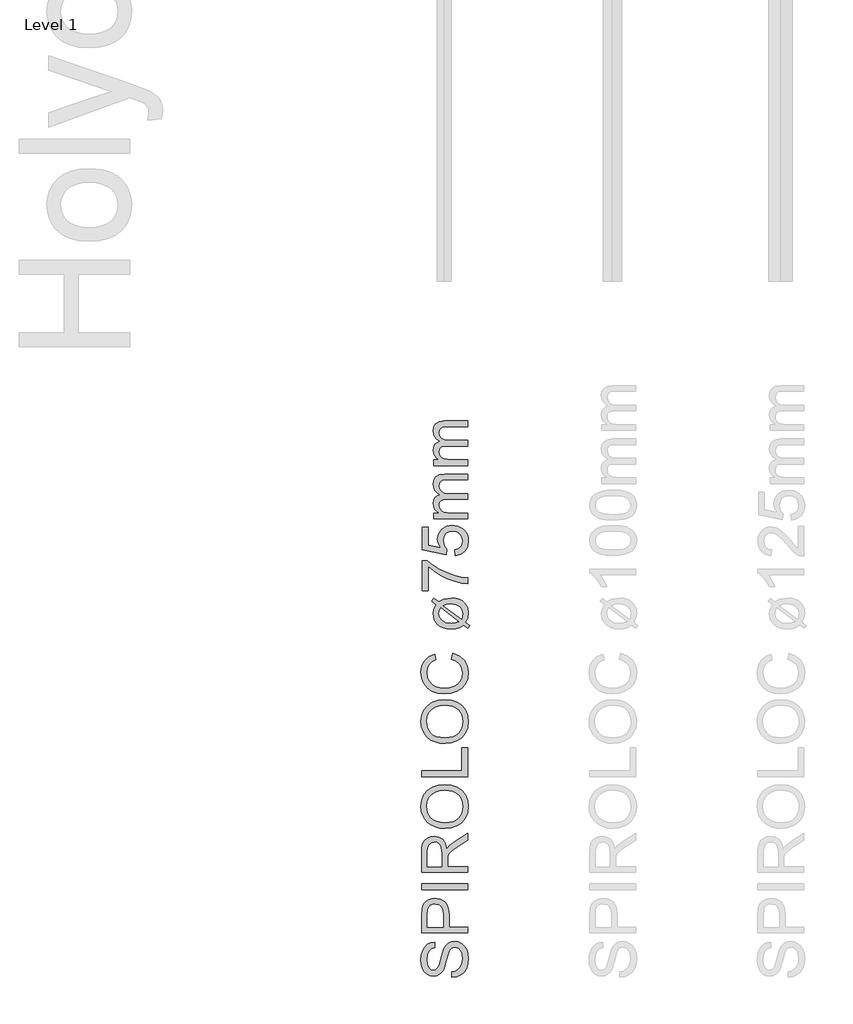
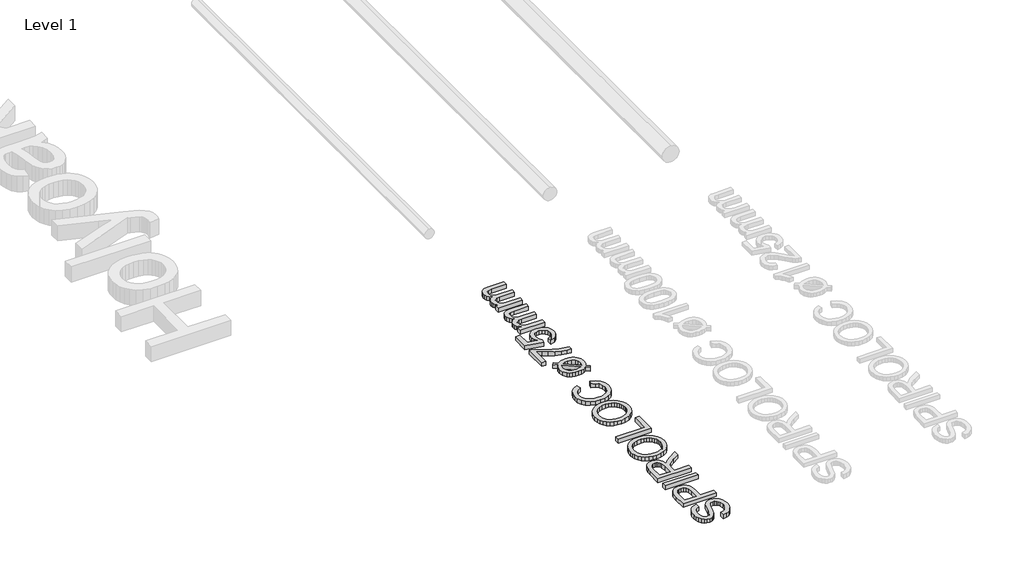
# One storey, part 2 of 19: 1 proxy.
"""IFC4 building model written with IfcOpenShell, lengths in millimetres."""

from ifc_helpers import new_model, si_unit, origin, origin_with_axes, place, context, project, spatial, polyline, outline, extrude, element, save

model = new_model("IFC4")

# Units and contexts
model_context = context("Model", 3, world=origin())
ifc_project = project(units=[si_unit("LENGTHUNIT", "METRE", prefix="MILLI")], contexts=[model_context])

# Site, building, storey
site = spatial("IfcSite", under=ifc_project)
building = spatial("IfcBuilding", under=site)
storey = spatial("IfcBuildingStorey", under=building, Name="Level 1", Elevation=0.0)

# Proxy
placement = place(None, origin())
element("IfcBuildingElementProxy", 1, Name="250mm", ObjectType="250mm", at=placement, inside=storey, context=model_context, shape_type="SweptSolid", body=[
    extrude(outline(polyline([(625.8043383, -1501.7841772), (625.8043383, -1471.0149464), (642.8791581, -1467.4842974), (656.6036172, -1461.099081), (667.4960451, -1451.1381435), (676.074771, -1436.880331), (681.6411773, -1419.4524464), (683.496646, -1399.9812926), (677.8776557, -1367.8298502), (671.2069826, -1355.6678911), (662.4329441, -1347.0666291), (652.3593263, -1341.950944), (641.7899153, -1340.2457156), (622.5891941, -1345.3538887), (614.9945427, -1353.1363406), (608.6168383, -1366.2673502), (596.8680403, -1411.0690329), (581.6937614, -1459.2961964), (571.3421989, -1474.6132036), (558.7971268, -1485.4680714), (544.3289778, -1491.93592), (528.2081845, -1494.0918695), (510.1868504, -1491.4251026), (493.3824633, -1483.4248022), (479.1396749, -1470.3013046), (468.8031364, -1452.2649464), (462.5155763, -1430.615307), (460.419723, -1406.6519656), (462.6132326, -1380.6904272), (469.1937614, -1357.974081), (480.0260932, -1339.3142252), (494.9750114, -1325.5221579), (513.1090258, -1316.7931916), (533.496646, -1313.3226387), (533.496646, -1344.0918695), (515.137271, -1349.7409079), (501.8860691, -1361.5197541), (493.8632326, -1379.9242012), (491.1889537, -1405.4500426), (493.8331845, -1431.5768454), (501.7658768, -1449.5005233), (513.4395547, -1459.8671099), (527.3067422, -1463.3226387), (539.1306605, -1460.8737204), (548.6408768, -1453.5269656), (557.1444826, -1436.1591772), (565.8283768, -1403.286581), (581.2730883, -1348.8394656), (592.4359489, -1331.2989007), (606.2129922, -1319.0618214), (622.4539778, -1311.872819), (641.0086653, -1309.4764849), (659.9765138, -1312.2333959), (677.8175595, -1320.5041291), (693.1721268, -1333.9506435), (704.6805403, -1352.2348983), (711.8695427, -1374.2225786), (714.2658768, -1398.7793695), (711.6817422, -1428.9251026), (703.9293383, -1453.7373022), (690.9786172, -1473.5014248), (672.7995307, -1488.5029272), (650.654098, -1498.1333358), (625.8043383, -1501.7841772)])), origin_with_axes(), (0.0, 0.0, 1.0), 30.0),
    extrude(outline(polyline([(710.419723, -1263.3226387), (464.2658768, -1263.3226387), (464.2658768, -1172.0966772), (466.6096268, -1135.317831), (470.989134, -1118.919093), (478.1180403, -1105.4199945), (488.3193624, -1094.5501026), (501.9161172, -1086.0389849), (517.9542783, -1080.5401868), (535.4798191, -1078.7072541), (564.4912374, -1083.6576748), (588.6649153, -1098.5089368), (598.1826436, -1110.4023412), (604.981021, -1126.2808719), (609.0600475, -1146.1445287), (610.419723, -1169.9933118), (610.419723, -1232.5534079), (710.419723, -1232.5534079), (710.419723, -1263.3226387)]), holes=[polyline([(579.6504922, -1232.5534079), (579.6504922, -1168.1904272), (576.825973, -1140.9067733), (568.3524153, -1122.8779272), (554.7556605, -1112.8268454), (536.5615499, -1109.4764849), (522.7394345, -1111.4521459), (511.0807807, -1117.3791291), (502.3067422, -1126.5212565), (497.138473, -1138.1423502), (495.0351076, -1168.911581), (495.0351076, -1232.5534079), (579.6504922, -1232.5534079)])]), origin_with_axes(), (0.0, 0.0, 1.0), 30.0),
    extrude(outline(polyline([(710.419723, -1032.5534079), (464.2658768, -1032.5534079), (464.2658768, -1001.7841772), (710.419723, -1001.7841772), (710.419723, -1032.5534079)])), origin_with_axes(), (0.0, 0.0, 1.0), 30.0),
    extrude(outline(polyline([(710.419723, -940.2457156), (464.2658768, -940.2457156), (464.2658768, -834.1760041), (465.9260331, -805.6678911), (470.9065018, -784.927206), (480.1012133, -769.7679512), (494.404098, -758.0041291), (512.1399754, -750.4545498), (531.6336653, -747.9380233), (555.8824633, -752.107194), (575.9846268, -764.614706), (590.7232085, -785.8361603), (598.8812614, -816.1471579), (612.0423191, -798.6591772), (643.7129922, -773.7192733), (710.419723, -732.6736002), (710.419723, -768.4308118), (659.3980883, -800.4620618), (625.6240499, -823.599081), (609.668521, -839.8550906), (603.809146, -854.4885041), (602.7274153, -872.3370618), (602.7274153, -909.4764849), (710.419723, -909.4764849), (710.419723, -940.2457156)]), holes=[polyline([(571.9581845, -909.4764849), (571.9581845, -840.6062926), (567.6012133, -805.4800906), (561.9371508, -793.9266051), (553.6589057, -785.5281676), (543.645384, -780.4124825), (532.7754922, -778.7072541), (517.7664778, -781.9599584), (505.6721268, -791.7180714), (497.6943624, -808.5074344), (495.0351076, -832.8538887), (495.0351076, -909.4764849), (571.9581845, -909.4764849)])]), origin_with_axes(), (0.0, 0.0, 1.0), 30.0),
    extrude(outline(polyline([(590.5879922, -705.630331), (561.7155463, -703.5795498), (536.1559008, -697.427206), (513.9090559, -687.1732998), (494.9750114, -672.817831), (479.8570727, -655.220926), (469.0585451, -635.2427108), (462.5794285, -612.8831856), (460.419723, -588.1423502), (464.4762133, -555.8556916), (476.6456845, -526.9043695), (496.0717662, -502.8659079), (521.8980883, -485.317831), (552.8776557, -474.5906676), (587.763473, -471.0149464), (623.1150355, -474.778468), (654.5302999, -486.0690329), (680.4016941, -504.2631435), (699.121646, -528.7373022), (710.4798191, -557.4407276), (714.2658768, -588.3226387), (710.0816821, -621.1050906), (697.529098, -650.2216772), (677.7424393, -674.2000426), (651.856021, -691.567831), (622.0708648, -702.114706), (590.5879922, -705.630331)]), holes=[polyline([(590.888473, -674.8611002), (611.2873612, -673.3230143), (629.3950835, -668.7087565), (645.21164, -661.0183268), (658.7370307, -650.2517252), (669.5693624, -637.1639097), (677.3067422, -622.5098382), (681.9491701, -606.2895107), (683.496646, -588.5029272), (681.934146, -570.4121069), (677.246646, -554.0002228), (669.434146, -539.2672751), (658.496646, -526.2132637), (644.6857987, -515.5255383), (628.2532566, -507.8914488), (609.1990198, -503.3109951), (587.5230883, -501.7841772), (560.2845066, -504.3983599), (536.7418383, -512.2409079), (517.4885331, -525.1089969), (503.1180403, -542.7998022), (494.1712254, -564.1414488), (491.1889537, -587.9620618), (496.9356484, -621.0600185), (514.1757326, -649.2000426), (527.5903209, -660.4267553), (544.8473071, -668.4458358), (565.9466911, -673.2572841), (590.888473, -674.8611002)])]), origin_with_axes(), (0.0, 0.0, 1.0), 30.0),
    extrude(outline(polyline([(710.419723, -428.7072541), (464.2658768, -428.7072541), (464.2658768, -397.9380233), (679.6504922, -397.9380233), (679.6504922, -274.8611002), (710.419723, -274.8611002), (710.419723, -428.7072541)])), origin_with_axes(), (0.0, 0.0, 1.0), 30.0),
    extrude(outline(polyline([(590.5879922, -251.7841772), (561.7155463, -249.7333959), (536.1559008, -243.5810522), (513.9090559, -233.3271459), (494.9750114, -218.9716772), (479.8570727, -201.3747721), (469.0585451, -181.396557), (462.5794285, -159.0370317), (460.419723, -134.2961964), (464.4762133, -102.0095377), (476.6456845, -73.0582156), (496.0717662, -49.0197541), (521.8980883, -31.4716772), (552.8776557, -20.7445137), (587.763473, -17.1687926), (623.1150355, -20.9323142), (654.5302999, -32.2228791), (680.4016941, -50.4169897), (699.121646, -74.8911483), (710.4798191, -103.5945738), (714.2658768, -134.4764849), (710.0816821, -167.2589368), (697.529098, -196.3755233), (677.7424393, -220.3538887), (651.856021, -237.7216772), (622.0708648, -248.2685522), (590.5879922, -251.7841772)]), holes=[polyline([(590.888473, -221.0149464), (611.2873612, -219.4768605), (629.3950835, -214.8626026), (645.21164, -207.172173), (658.7370307, -196.4055714), (669.5693624, -183.3177559), (677.3067422, -168.6636844), (681.9491701, -152.4433569), (683.496646, -134.6567733), (681.934146, -116.565953), (677.246646, -100.154069), (669.434146, -85.4211213), (658.496646, -72.3671099), (644.6857987, -61.6793845), (628.2532566, -54.045295), (609.1990198, -49.4648412), (587.5230883, -47.9380233), (560.2845066, -50.552206), (536.7418383, -58.3947541), (517.4885331, -71.262843), (503.1180403, -88.9536483), (494.1712254, -110.295295), (491.1889537, -134.1159079), (496.9356484, -167.2138647), (514.1757326, -195.3538887), (527.5903209, -206.5806014), (544.8473071, -214.599682), (565.9466911, -219.4111303), (590.888473, -221.0149464)])]), origin_with_axes(), (0.0, 0.0, 1.0), 30.0),
    extrude(outline(polyline([(622.919723, 198.2158228), (630.8524153, 228.9850536), (666.7072831, 214.7873373), (692.9016941, 192.5066882), (708.9248311, 163.2398613), (714.2658768, 128.0836113), (710.2244105, 92.3940079), (698.1000114, 64.0511594), (678.3133528, 42.3263998), (651.2851076, 26.4910632), (619.5092662, 16.8230945), (585.4798191, 13.6004382), (549.5873912, 17.2437675), (518.5927999, 28.1737555), (493.4801196, 45.8194887), (475.2334249, 69.6100536), (464.1231484, 97.8251978), (460.419723, 128.744669), (465.2123912, 162.4811474), (479.590396, 190.3732748), (502.6673191, 211.549657), (533.5567422, 225.1388998), (540.888473, 194.369669), (518.4500715, 183.7026017), (503.0579441, 169.1292844), (494.1562013, 150.4694286), (491.1889537, 127.5427459), (494.4792182, 101.1154623), (504.3500114, 79.4057267), (519.7646749, 62.9318685), (539.6865499, 52.2122171), (562.2075835, 46.330306), (585.419723, 44.369669), (613.8452037, 46.6908829), (638.4245307, 53.6545248), (658.2187013, 65.5235151), (672.2887133, 82.5607748), (680.6946629, 102.985955), (683.496646, 125.0187074), (679.6805403, 150.7023012), (668.232223, 172.104044), (649.2718864, 188.2623974), (622.919723, 198.2158228)])), origin_with_axes(), (0.0, 0.0, 1.0), 30.0),
    extrude(outline(polyline([(543.3524153, 490.2831305), (519.0735691, 508.6725536), (530.2514537, 523.3360151), (555.6721268, 504.0451498), (581.934146, 519.5499574), (621.1168383, 525.1388998), (644.6595066, 523.3923553), (664.8668383, 518.1527219), (681.7388335, 509.4199995), (695.2754922, 497.1941882), (709.5182807, 472.2092123), (714.2658768, 442.5667844), (710.2244105, 417.822193), (698.1000114, 396.1124574), (721.9581845, 378.0235151), (711.0206845, 363.119669), (688.2442422, 380.4273613), (665.0471268, 366.4249574), (645.2454441, 361.4219526), (622.9798191, 359.7542844), (599.093476, 361.2717123), (578.7565619, 365.8239959), (561.9690769, 373.4111353), (548.731021, 384.0331305), (531.536009, 410.4303661), (525.8043383, 441.0643805), (530.0411172, 466.0042844), (543.3524153, 490.2831305)]), holes=[polyline([(565.2274153, 473.6965921), (558.7370307, 458.3119767), (556.5735691, 442.2062074), (560.7277158, 421.9988757), (573.1901557, 405.3672651), (593.8707446, 394.2344526), (622.6793383, 390.5235151), (645.0952037, 392.6719526), (663.544723, 399.1172651), (565.2274153, 473.6965921)]), polyline([(580.6120307, 485.1749574), (678.388473, 411.0163036), (683.496646, 440.5836113), (679.4326436, 461.9177459), (667.2406364, 479.1653421), (646.9356484, 490.5685873), (618.5327037, 494.369669), (597.3187614, 492.025919), (580.6120307, 485.1749574)])]), origin_with_axes(), (0.0, 0.0, 1.0), 30.0),
    extrude(outline(polyline([(498.8812614, 563.6004382), (468.1120307, 563.6004382), (468.1120307, 725.1388998), (492.9918383, 725.1388998), (522.1309609, 702.1145608), (559.1877518, 679.3155824), (600.7818023, 659.205907), (643.5327037, 644.2494767), (675.5188816, 636.9177459), (710.419723, 632.8312074), (710.419723, 602.0619767), (678.7039778, 605.3898012), (641.0086653, 614.291544), (601.052235, 628.5268204), (562.5531364, 647.8552459), (527.7499513, 670.4213517), (498.8812614, 694.369669), (498.8812614, 563.6004382)])), origin_with_axes(), (0.0, 0.0, 1.0), 30.0),
    extrude(outline(polyline([(645.0351076, 752.0619767), (641.1889537, 782.8312074), (659.661009, 788.4802459), (672.8896749, 798.3360151), (680.8449033, 812.353443), (683.496646, 830.4874574), (679.8082446, 852.5427459), (668.7430403, 869.0691882), (651.5780763, 879.3907026), (629.590396, 882.8312074), (608.887271, 879.6085512), (593.0519345, 869.9405824), (583.0008528, 853.752181), (579.6504922, 830.9682267), (584.9990499, 803.9550055), (598.8812614, 786.6773613), (595.0351076, 755.9081305), (468.1120307, 782.8312074), (468.1120307, 902.0619767), (498.8812614, 902.0619767), (498.8812614, 807.7110151), (566.669723, 794.5499574), (553.3283768, 816.5301257), (548.8812614, 839.5619767), (554.3950835, 868.3104743), (570.9365499, 892.1761594), (596.1468864, 908.2443685), (627.6673191, 913.6004382), (658.4365499, 908.7777219), (684.7586653, 894.3095728), (697.6680703, 881.5241161), (706.8890739, 866.6052459), (712.4216761, 849.5529623), (714.2658768, 830.3672651), (709.5257927, 800.1464118), (695.3055403, 776.0703901), (673.2577638, 759.5664839), (645.0351076, 752.0619767)])), origin_with_axes(), (0.0, 0.0, 1.0), 30.0),
    extrude(outline(polyline([(710.419723, 948.2158228), (529.6504922, 948.2158228), (529.6504922, 978.9850536), (559.3980883, 978.9850536), (545.7337254, 988.2398613), (535.029098, 1000.1388998), (528.1105283, 1014.2765199), (525.8043383, 1030.2470728), (528.1556004, 1047.3594526), (535.2093864, 1061.0763998), (546.4999513, 1071.322794), (561.5615499, 1078.0235151), (545.9177698, 1089.2389599), (534.7436412, 1102.0319286), (528.0391641, 1116.4024214), (525.8043383, 1132.3504382), (529.5227879, 1155.4799454), (540.6781364, 1172.5848132), (559.5708648, 1183.1542243), (586.5014537, 1186.6773613), (710.419723, 1186.6773613), (710.419723, 1155.9081305), (599.7226076, 1155.9081305), (574.0315018, 1153.0535632), (561.3812614, 1142.7170248), (556.5735691, 1125.1388998), (559.653497, 1108.4697291), (568.8932807, 1094.8804863), (584.9239297, 1085.8435272), (608.3764537, 1082.8312074), (710.419723, 1082.8312074), (710.419723, 1052.0619767), (596.2971268, 1052.0619767), (578.8992903, 1050.2816281), (566.4894345, 1044.9405824), (559.0525355, 1035.5430464), (556.5735691, 1021.5932267), (558.2262133, 1009.7392603), (563.184146, 998.8167844), (571.3271749, 989.8023613), (582.5351076, 983.6725536), (619.2538576, 978.9850536), (710.419723, 978.9850536), (710.419723, 948.2158228)])), origin_with_axes(), (0.0, 0.0, 1.0), 30.0),
    extrude(outline(polyline([(710.419723, 1232.8312074), (529.6504922, 1232.8312074), (529.6504922, 1263.6004382), (559.3980883, 1263.6004382), (545.7337254, 1272.8552459), (535.029098, 1284.7542844), (528.1105283, 1298.8919046), (525.8043383, 1314.8624574), (528.1556004, 1331.9748373), (535.2093864, 1345.6917844), (546.4999513, 1355.9381786), (561.5615499, 1362.6388998), (545.9177698, 1373.8543445), (534.7436412, 1386.6473132), (528.0391641, 1401.017806), (525.8043383, 1416.9658228), (529.5227879, 1440.09533), (540.6781364, 1457.2001978), (559.5708648, 1467.7696089), (586.5014537, 1471.2927459), (710.419723, 1471.2927459), (710.419723, 1440.5235151), (599.7226076, 1440.5235151), (574.0315018, 1437.6689478), (561.3812614, 1427.3324094), (556.5735691, 1409.7542844), (559.653497, 1393.0851137), (568.8932807, 1379.4958709), (584.9239297, 1370.4589118), (608.3764537, 1367.4465921), (710.419723, 1367.4465921), (710.419723, 1336.6773613), (596.2971268, 1336.6773613), (578.8992903, 1334.8970127), (566.4894345, 1329.5559671), (559.0525355, 1320.158431), (556.5735691, 1306.2086113), (558.2262133, 1294.3546449), (563.184146, 1283.432169), (571.3271749, 1274.4177459), (582.5351076, 1268.2879382), (619.2538576, 1263.6004382), (710.419723, 1263.6004382), (710.419723, 1232.8312074)])), origin_with_axes(), (0.0, 0.0, 1.0), 30.0),
])

save(model, "model.ifc")
